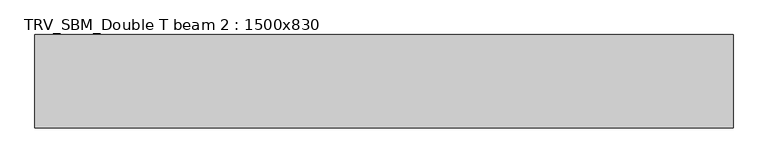
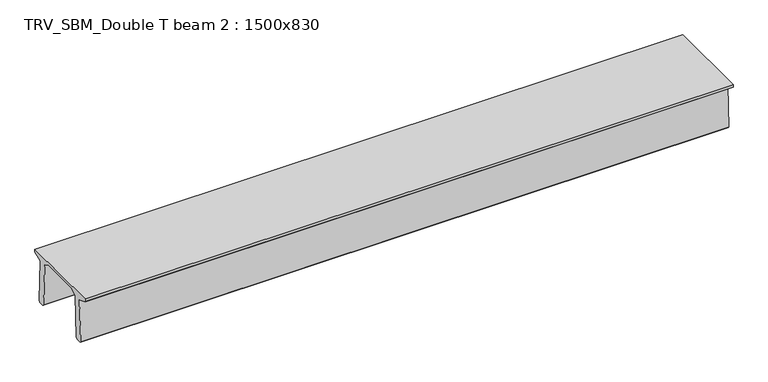
"""IFC4 building model written with IfcOpenShell, lengths in millimetres: beam geometry, TRV_SBM_Double T beam 2 : 1500x830."""

from ifc_helpers import new_model, si_unit, frame, origin, place, context, project, spatial, polyline, outline, extrude, source, transform, mapped, element, save


def trv_sbm_double_t_beam_2_1500x830_79f35975(model_context):
    return source(origin(), model_context, "Body", "SweptSolid", [
        extrude(outline(polyline([(337.4555014, 470.0), (-343.4555014, 470.0), (-456.5828437, 409.8491251), (-494.786332, -340.5206011), (-514.2657308, -360.0), (-604.2657308, -360.0), (-624.8277662, -339.4379646), (-586.9373878, 401.9654693), (-752.8511046, 468.9989621), (-753.0, 475.0), (-753.0, 520.0), (747.0, 520.0), (747.0, 475.0), (746.8511046, 468.9989621), (580.9373878, 401.9654693), (618.8277662, -339.4379646), (598.2657308, -360.0), (508.2657308, -360.0), (488.786332, -340.5206011), (450.5828437, 409.8491251), (337.4555014, 470.0)])), frame((-5599.0, 0.0, 0.0), z_axis=(1.0, 0.0, 0.0), x_axis=(0.0, 1.0, 0.0)), (0.0, 0.0, 1.0), 11198.0),
    ])


if __name__ == "__main__":
    model = new_model("IFC4")
    model_context = context("Model", 3, world=origin())
    ifc_project = project(units=[si_unit("LENGTHUNIT", "METRE", prefix="MILLI")], contexts=[model_context])
    site = spatial("IfcSite", under=ifc_project)
    building = spatial("IfcBuilding", under=site)
    placement = place(None, origin())
    trv_sbm_double_t_beam_2_1500x830_shape = trv_sbm_double_t_beam_2_1500x830_79f35975(model_context)
    element("IfcBeam", 1, ObjectType="TRV_SBM_Double T beam 2 : 1500x830", at=placement, inside=building, context=model_context, shape_type="MappedRepresentation", body=[
        mapped(trv_sbm_double_t_beam_2_1500x830_shape, transform((0.0, 0.0, 0.0), x_axis=(1.0, 0.0, 0.0), y_axis=(0.0, 1.0, 0.0), z_axis=(0.0, 0.0, 1.0))),
    ])
    save(model, "model.ifc")
